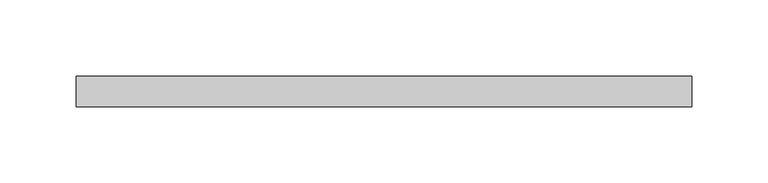
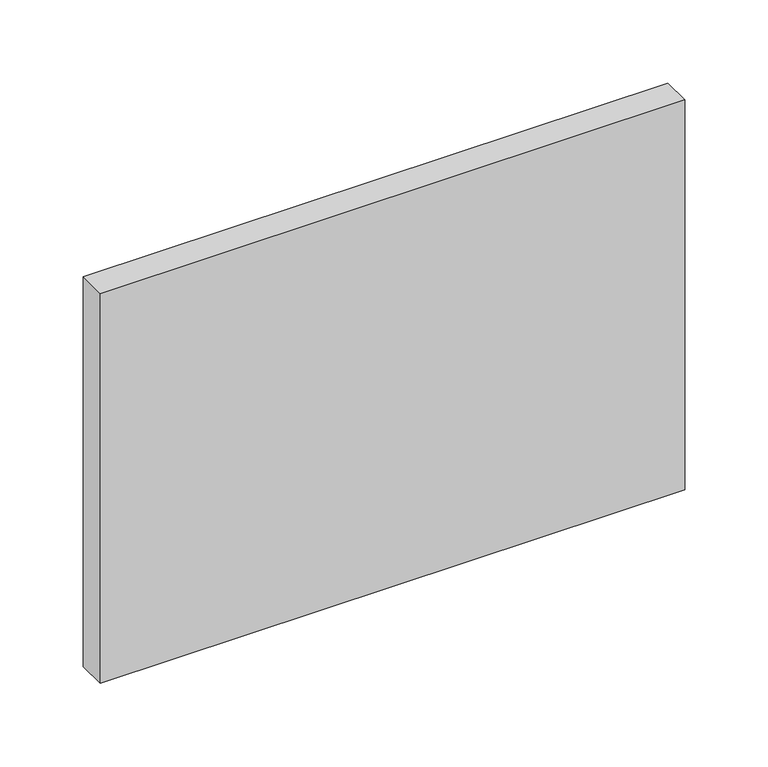
"""IFC4 building model written with IfcOpenShell, lengths in millimetres: plate geometry."""

from ifc_helpers import new_model, si_unit, origin, origin_with_axes, place, context, project, spatial, polyline, outline, extrude, source, transform, mapped, element, save


def plate_2aa35b4e(model_context):
    return source(origin(), model_context, "Body", "SweptSolid", [
        extrude(outline(polyline([(202.3913043, 70.0), (-202.3913043, 70.0), (-202.3913043, 90.0), (202.3913043, 90.0), (202.3913043, 70.0)])), origin_with_axes(), (0.0, 0.0, 1.0), 285.2281898),
    ])


if __name__ == "__main__":
    model = new_model("IFC4")
    model_context = context("Model", 3, world=origin())
    ifc_project = project(units=[si_unit("LENGTHUNIT", "METRE", prefix="MILLI")], contexts=[model_context])
    site = spatial("IfcSite", under=ifc_project)
    building = spatial("IfcBuilding", under=site)
    placement = place(None, origin())
    plate_shape = plate_2aa35b4e(model_context)
    element("IfcPlate", 1, at=placement, inside=building, context=model_context, shape_type="MappedRepresentation", body=[
        mapped(plate_shape, transform((0.0, 0.0, 0.0), x_axis=(1.0, 0.0, 0.0), y_axis=(0.0, 1.0, 0.0), z_axis=(0.0, 0.0, 1.0))),
    ])
    save(model, "model.ifc")
